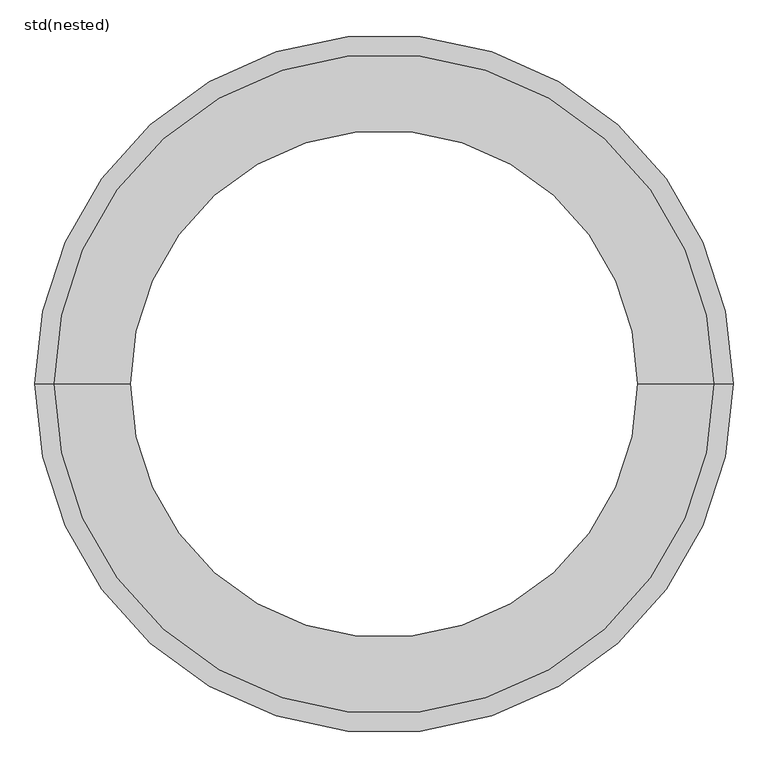
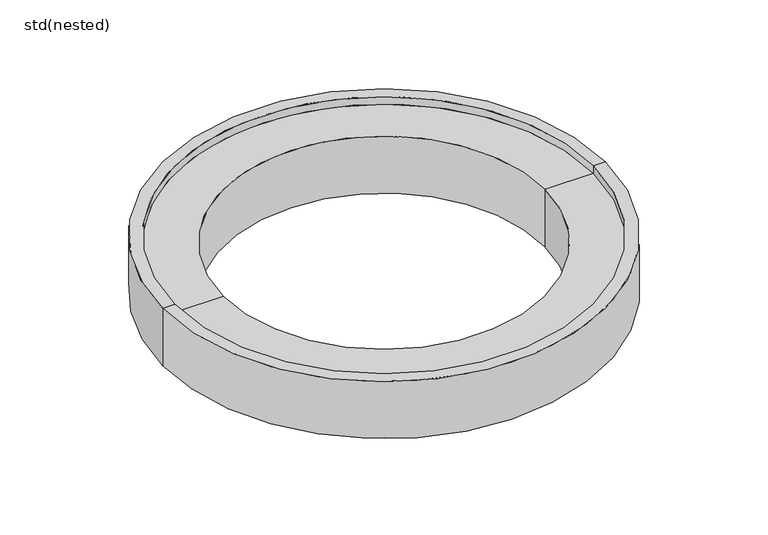
"""IFC4 building model written with IfcOpenShell, lengths in millimetres: unitary equipment geometry, std(nested)."""

from ifc_helpers import new_model, si_unit, frame, origin, place, context, project, spatial, polyline, circle_curve, source, transform, mapped, element, save
from ifc_brep_helpers import plane_surface, cylinder_surface, revolved_surface, advanced_brep


def std_nested_23f490e0(model_context):
    return source(origin(), model_context, "Body", "AdvancedBrep", [
        advanced_brep(
        [(520.0, 0.0, -150.0), (-520.0, 0.0, -150.0), (-550.0, 0.0, -150.0), (550.0, 0.0, -150.0), (520.0, 0.0, -170.0), (-520.0, 0.0, -170.0), (400.0, 0.0, -170.0), (-400.0, 0.0, -170.0), (400.0, 0.0, -20.0), (-400.0, 0.0, -20.0), (520.0, 0.0, -20.0), (-520.0, 0.0, -20.0), (520.0, 0.0, 0.0), (-520.0, 0.0, 0.0), (550.0, 0.0, 0.0), (-550.0, 0.0, 0.0)],
        [
            (0, 1, circle_curve(frame((0.0, 0.0, -150.0), z_axis=(0.0, 0.0, 1.0), x_axis=(-1.0, 0.0, 0.0)), 520.0)),
            (1, 2),
            (2, 3, circle_curve(frame((0.0, 0.0, -150.0), z_axis=(0.0, 0.0, -1.0), x_axis=(-1.0, 0.0, 0.0)), 550.0)),
            (3, 0),
            (1, 0, circle_curve(frame((0.0, 0.0, -150.0), z_axis=(0.0, 0.0, 1.0), x_axis=(-1.0, 0.0, 0.0)), 520.0)),
            (3, 2, circle_curve(frame((0.0, 0.0, -150.0), z_axis=(0.0, 0.0, -1.0), x_axis=(-1.0, 0.0, 0.0)), 550.0)),
            (4, 5, circle_curve(frame((0.0, 0.0, -170.0), z_axis=(0.0, 0.0, 1.0), x_axis=(-1.0, 0.0, 0.0)), 520.0)),
            (5, 1),
            (0, 4),
            (5, 4, circle_curve(frame((0.0, 0.0, -170.0), z_axis=(0.0, 0.0, 1.0), x_axis=(-1.0, 0.0, 0.0)), 520.0)),
            (6, 7, circle_curve(frame((0.0, 0.0, -170.0), z_axis=(0.0, 0.0, 1.0), x_axis=(-1.0, 0.0, 0.0)), 400.0)),
            (7, 5),
            (4, 6),
            (7, 6, circle_curve(frame((0.0, 0.0, -170.0), z_axis=(0.0, 0.0, 1.0), x_axis=(-1.0, 0.0, 0.0)), 400.0)),
            (8, 9, circle_curve(frame((0.0, 0.0, -20.0), z_axis=(0.0, 0.0, 1.0), x_axis=(-1.0, 0.0, 0.0)), 400.0)),
            (9, 7),
            (6, 8),
            (9, 8, circle_curve(frame((0.0, 0.0, -20.0), z_axis=(0.0, 0.0, 1.0), x_axis=(-1.0, 0.0, 0.0)), 400.0)),
            (10, 11, circle_curve(frame((0.0, 0.0, -20.0), z_axis=(0.0, 0.0, 1.0), x_axis=(-1.0, 0.0, 0.0)), 520.0)),
            (11, 9),
            (8, 10),
            (11, 10, circle_curve(frame((0.0, 0.0, -20.0), z_axis=(0.0, 0.0, 1.0), x_axis=(-1.0, 0.0, 0.0)), 520.0)),
            (12, 13, circle_curve(frame((0.0, 0.0, 0.0), z_axis=(0.0, 0.0, 1.0), x_axis=(-1.0, 0.0, 0.0)), 520.0)),
            (13, 11),
            (10, 12),
            (13, 12, circle_curve(frame((0.0, 0.0, 0.0), z_axis=(0.0, 0.0, 1.0), x_axis=(-1.0, 0.0, 0.0)), 520.0)),
            (14, 15, circle_curve(frame((0.0, 0.0, 0.0), z_axis=(0.0, 0.0, 1.0), x_axis=(-1.0, 0.0, 0.0)), 550.0)),
            (15, 13),
            (12, 14),
            (15, 14, circle_curve(frame((0.0, 0.0, 0.0), z_axis=(0.0, 0.0, 1.0), x_axis=(-1.0, 0.0, 0.0)), 550.0)),
            (2, 15),
            (14, 3),
        ],
        [
            plane_surface(frame((0.0, 0.0, -150.0), z_axis=(0.0, 0.0, -1.0), x_axis=(-1.0, 0.0, 0.0))),
            cylinder_surface(frame((0.0, 0.0, 0.0), z_axis=(0.0, 0.0, -1.0), x_axis=(-1.0, 0.0, 0.0)), 520.0),
            plane_surface(frame((0.0, 0.0, -170.0), z_axis=(0.0, 0.0, -1.0), x_axis=(-1.0, 0.0, 0.0))),
            revolved_surface(polyline([(-400.0, 0.0, -170.0), (-400.0, 0.0, -20.0)]), (0.0, 0.0, 0.0), (0.0, 0.0, -1.0)),
            plane_surface(frame((0.0, 0.0, -20.0), z_axis=(0.0, 0.0, 1.0), x_axis=(-1.0, 0.0, 0.0))),
            revolved_surface(polyline([(-520.0, 0.0, -20.0), (-520.0, 0.0, 0.0)]), (0.0, 0.0, 0.0), (0.0, 0.0, -1.0)),
            plane_surface(frame((0.0, 0.0, 0.0), z_axis=(0.0, 0.0, 1.0), x_axis=(-1.0, 0.0, 0.0))),
            cylinder_surface(frame((0.0, 0.0, 0.0), z_axis=(0.0, 0.0, -1.0), x_axis=(-1.0, 0.0, 0.0)), 550.0),
        ],
        [
            (0, [[1, 2, 3, 4]]),
            (0, [[5, -4, 6, -2]]),
            (1, [[7, 8, -1, 9]]),
            (1, [[10, -9, -5, -8]]),
            (2, [[11, 12, -7, 13]]),
            (2, [[14, -13, -10, -12]]),
            (3, [[15, 16, -11, 17]]),
            (3, [[18, -17, -14, -16]]),
            (4, [[19, 20, -15, 21]]),
            (4, [[22, -21, -18, -20]]),
            (5, [[23, 24, -19, 25]]),
            (5, [[26, -25, -22, -24]]),
            (6, [[27, 28, -23, 29]]),
            (6, [[30, -29, -26, -28]]),
            (7, [[-3, 31, -27, 32]]),
            (7, [[-6, -32, -30, -31]]),
        ],
    ),
    ])


if __name__ == "__main__":
    model = new_model("IFC4")
    model_context = context("Model", 3, world=origin())
    ifc_project = project(units=[si_unit("LENGTHUNIT", "METRE", prefix="MILLI")], contexts=[model_context])
    site = spatial("IfcSite", under=ifc_project)
    building = spatial("IfcBuilding", under=site)
    placement = place(None, origin())
    std_nested_shape = std_nested_23f490e0(model_context)
    element("IfcUnitaryEquipment", 1, ObjectType="std(nested)", at=placement, inside=building, context=model_context, shape_type="MappedRepresentation", body=[
        mapped(std_nested_shape, transform((0.0, 0.0, 0.0), x_axis=(1.0, 0.0, 0.0), y_axis=(0.0, 1.0, 0.0), z_axis=(0.0, 0.0, 1.0))),
    ])
    save(model, "model.ifc")
